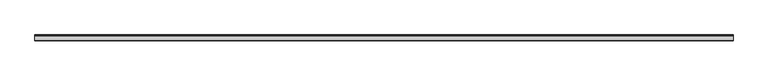
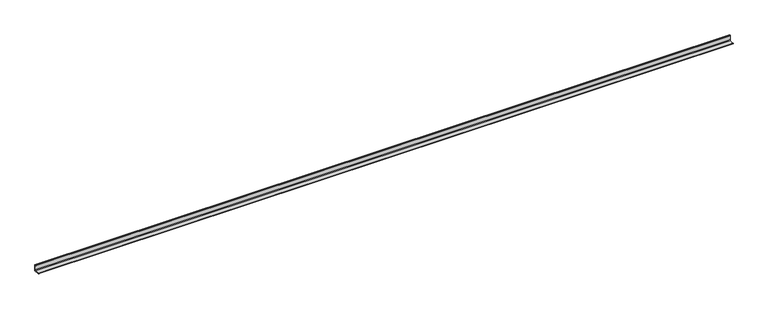
"""IFC4 building model written with IfcOpenShell, lengths in millimetres: beam geometry."""

from ifc_helpers import new_model, si_unit, point, frame, frame_2d, origin, place, context, project, spatial, polyline, circle_curve, trimmed, segment, composite_curve, outline, extrude, source, transform, mapped, element, save


def beam_40ae5e41(model_context):
    return source(origin(), model_context, "Body", "SweptSolid", [
        extrude(outline(composite_curve([segment(polyline([(21.3, -21.3), (-53.7, -21.3), (-53.7, -18.3)]), True, "CONTINUOUS"), segment(trimmed(circle_curve(frame_2d((-48.7, -18.3)), 5.0), [point((-53.7, -18.3))], [point((-48.7, -13.3))], False, "CARTESIAN"), True, "CONTINUOUS"), segment(polyline([(-48.7, -13.3), (5.3, -13.3)]), True, "CONTINUOUS"), segment(trimmed(circle_curve(frame_2d((5.3, -5.3)), 8.0), [point((5.3, -13.3))], [point((13.3, -5.3))], True, "CARTESIAN"), True, "CONTINUOUS"), segment(polyline([(13.3, -5.3), (13.3, 48.7)]), True, "CONTINUOUS"), segment(trimmed(circle_curve(frame_2d((18.3, 48.7)), 5.0), [point((13.3, 48.7))], [point((18.3, 53.7))], False, "CARTESIAN"), True, "CONTINUOUS"), segment(polyline([(18.3, 53.7), (21.3, 53.7), (21.3, -21.3)]), True, "CONTINUOUS")], self_intersect=False)), frame((-4425.0, 0.0, 0.0), z_axis=(1.0, 0.0, 0.0), x_axis=(0.0, 1.0, 0.0)), (0.0, 0.0, 1.0), 8821.0),
    ])


if __name__ == "__main__":
    model = new_model("IFC4")
    model_context = context("Model", 3, world=origin())
    ifc_project = project(units=[si_unit("LENGTHUNIT", "METRE", prefix="MILLI")], contexts=[model_context])
    site = spatial("IfcSite", under=ifc_project)
    building = spatial("IfcBuilding", under=site)
    placement = place(None, origin())
    beam_shape = beam_40ae5e41(model_context)
    element("IfcBeam", 1, at=placement, inside=building, context=model_context, shape_type="MappedRepresentation", body=[
        mapped(beam_shape, transform((0.0, 0.0, 0.0), x_axis=(1.0, 0.0, 0.0), y_axis=(0.0, 1.0, 0.0), z_axis=(0.0, 0.0, 1.0))),
    ])
    save(model, "model.ifc")
